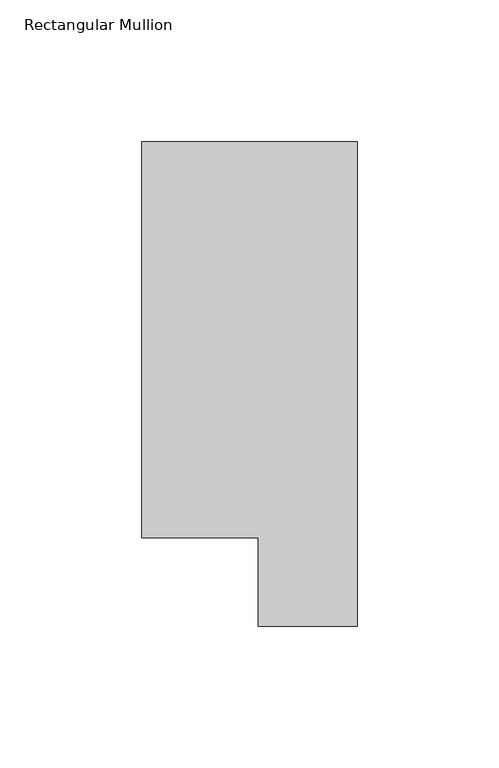
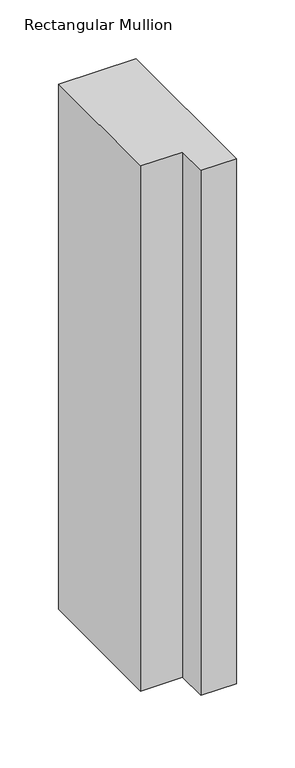
"""IFC4 building model written with IfcOpenShell, lengths in millimetres: member geometry, Rectangular Mullion."""

from ifc_helpers import new_model, si_unit, frame, origin, place, context, project, spatial, polyline, outline, extrude, source, transform, mapped, element, save


def rectangular_mullion_e4fb54bd(model_context):
    return source(origin(), model_context, "Body", "SweptSolid", [
        extrude(outline(polyline([(-76.2, 190.7881317), (0.0, 190.7881317), (0.0, 19.5667317), (-34.9123, 19.5667317), (-34.9123, 50.8087306), (-76.2, 50.8087306), (-76.2, 190.7881317)])), frame((0.0, 0.0, -546.0809804), z_axis=(0.0, 0.0, 1.0), x_axis=(1.0, 0.0, 0.0)), (0.0, 0.0, 1.0), 546.0809804),
    ])


if __name__ == "__main__":
    model = new_model("IFC4")
    model_context = context("Model", 3, world=origin())
    ifc_project = project(units=[si_unit("LENGTHUNIT", "METRE", prefix="MILLI")], contexts=[model_context])
    site = spatial("IfcSite", under=ifc_project)
    building = spatial("IfcBuilding", under=site)
    placement = place(None, origin())
    rectangular_mullion_shape = rectangular_mullion_e4fb54bd(model_context)
    element("IfcMember", 1, ObjectType="Rectangular Mullion", at=placement, inside=building, context=model_context, shape_type="MappedRepresentation", body=[
        mapped(rectangular_mullion_shape, transform((0.0, 0.0, 0.0), x_axis=(1.0, 0.0, 0.0), y_axis=(0.0, 1.0, 0.0), z_axis=(0.0, 0.0, 1.0))),
    ])
    save(model, "model.ifc")
